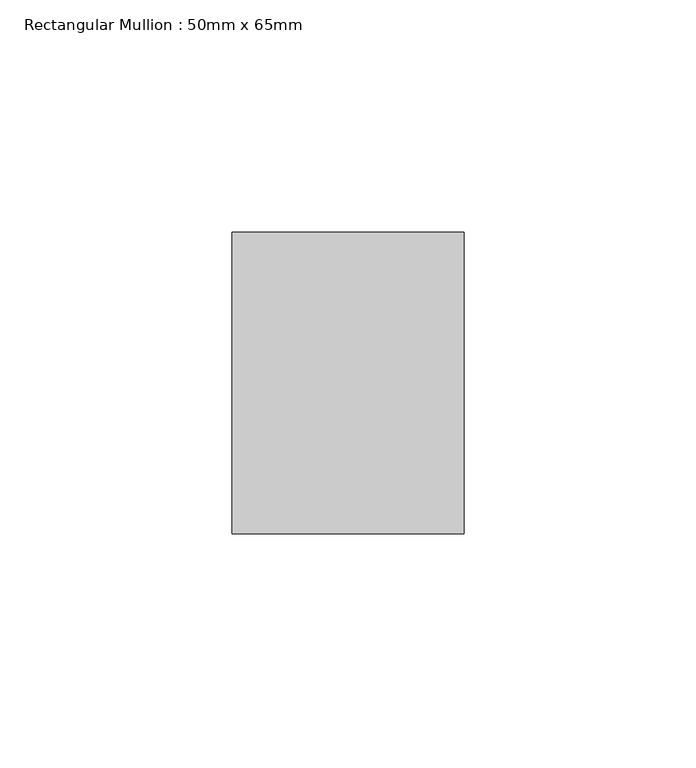
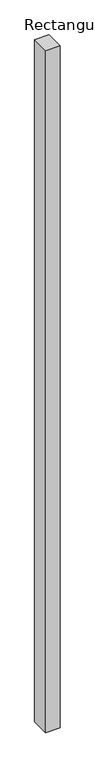
"""IFC4 building model written with IfcOpenShell, lengths in millimetres: member geometry, Rectangular Mullion : 50mm x 65mm."""

from ifc_helpers import new_model, si_unit, frame, origin, place, context, project, spatial, polyline, outline, extrude, source, transform, mapped, element, save


def rectangular_mullion_50mm_x_65mm_3ee7a89c(model_context):
    return source(origin(), model_context, "Body", "SweptSolid", [
        extrude(outline(polyline([(25.0, 32.5), (25.0, -32.5), (-25.0, -32.5), (-25.0, 32.5), (25.0, 32.5)])), frame((0.0, 0.0, -2478.0261752), z_axis=(0.0, 0.0, 1.0), x_axis=(1.0, 0.0, 0.0)), (0.0, 0.0, 1.0), 2478.0261752),
    ])


if __name__ == "__main__":
    model = new_model("IFC4")
    model_context = context("Model", 3, world=origin())
    ifc_project = project(units=[si_unit("LENGTHUNIT", "METRE", prefix="MILLI")], contexts=[model_context])
    site = spatial("IfcSite", under=ifc_project)
    building = spatial("IfcBuilding", under=site)
    placement = place(None, origin())
    rectangular_mullion_50mm_x_65mm_shape = rectangular_mullion_50mm_x_65mm_3ee7a89c(model_context)
    element("IfcMember", 1, ObjectType="Rectangular Mullion : 50mm x 65mm", at=placement, inside=building, context=model_context, shape_type="MappedRepresentation", body=[
        mapped(rectangular_mullion_50mm_x_65mm_shape, transform((0.0, 0.0, 0.0), x_axis=(1.0, 0.0, 0.0), y_axis=(0.0, 1.0, 0.0), z_axis=(0.0, 0.0, 1.0))),
    ])
    save(model, "model.ifc")
